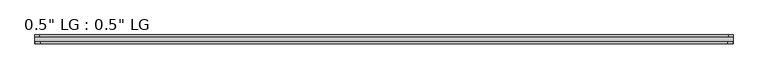
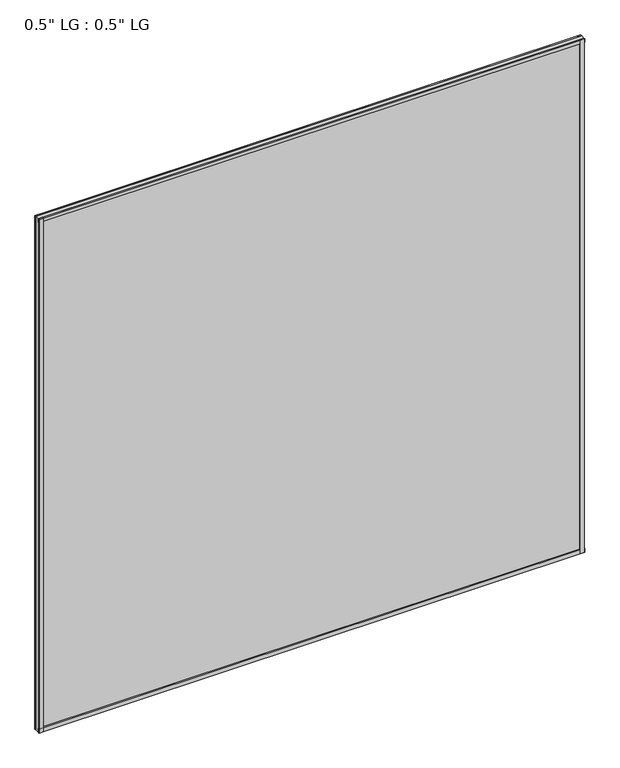
"""IFC4 building model written with IfcOpenShell, lengths in millimetres: plate geometry."""

from ifc_helpers import new_model, si_unit, frame, origin, origin_with_axes, place, context, project, spatial, polyline, outline, extrude, source, transform, mapped, element, save


def plate_191dd91b(model_context):
    return source(origin(), model_context, "Body", "SweptSolid", [
        extrude(outline(polyline([(901.7, 33.6248375), (890.2474034, 33.6248375), (890.2474034, 38.2984375), (901.7, 38.2984375), (901.7, 33.6248375)])), origin_with_axes(), (0.0, 0.0, 1.0), 1793.875),
        extrude(outline(polyline([(887.4806761, 20.0104375), (900.8843966, 20.0104375), (900.8843966, 15.8194375), (887.4806761, 15.8194375), (887.4806761, 20.0104375)])), origin_with_axes(), (0.0, 0.0, 1.0), 1793.875),
        extrude(outline(polyline([(-890.1821913, 38.2984375), (-890.1821913, 33.6248375), (-901.7, 33.6248375), (-901.7, 38.2984375), (-890.1821913, 38.2984375)])), origin_with_axes(), (0.0, 0.0, 1.0), 1793.875),
        extrude(outline(polyline([(-887.4909512, 20.0104375), (-887.4909512, 15.8194375), (-900.8843966, 15.8194375), (-900.8843966, 20.0104375), (-887.4909512, 20.0104375)])), origin_with_axes(), (0.0, 0.0, 1.0), 1793.875),
        extrude(outline(polyline([(901.7, 38.2984375), (901.7, 33.6248375), (-901.7, 33.6248375), (-901.7, 38.2984375), (901.7, 38.2984375)])), origin_with_axes(), (0.0, 0.0, 1.0), 11.444324),
        extrude(outline(polyline([(901.7, 20.0104375), (901.7, 15.8194375), (-901.7, 15.8194375), (-901.7, 20.0104375), (901.7, 20.0104375)])), origin_with_axes(), (0.0, 0.0, 1.0), 14.1703966),
        extrude(outline(polyline([(901.7, 38.2984375), (901.7, 33.6248375), (-901.7, 33.6248375), (-901.7, 38.2984375), (901.7, 38.2984375)])), frame((0.0, 0.0, 1782.2098974), z_axis=(0.0, 0.0, 1.0), x_axis=(1.0, 0.0, 0.0)), (0.0, 0.0, 1.0), 11.6651026),
        extrude(outline(polyline([(901.7, 20.0104375), (901.7, 15.8194375), (-901.7, 15.8194375), (-901.7, 20.0104375), (901.7, 20.0104375)])), frame((0.0, 0.0, 1782.2098974), z_axis=(0.0, 0.0, 1.0), x_axis=(1.0, 0.0, 0.0)), (0.0, 0.0, 1.0), 11.6651026),
        extrude(outline(polyline([(901.7, 33.6248375), (901.7, 20.0104375), (-901.7, 20.0104375), (-901.7, 33.6248375), (901.7, 33.6248375)])), origin_with_axes(), (0.0, 0.0, 1.0), 1793.875),
    ])


if __name__ == "__main__":
    model = new_model("IFC4")
    model_context = context("Model", 3, world=origin())
    ifc_project = project(units=[si_unit("LENGTHUNIT", "METRE", prefix="MILLI")], contexts=[model_context])
    site = spatial("IfcSite", under=ifc_project)
    building = spatial("IfcBuilding", under=site)
    placement = place(None, origin())
    plate_shape = plate_191dd91b(model_context)
    element("IfcPlate", 1, ObjectType="0.5\" LG : 0.5\" LG", at=placement, inside=building, context=model_context, shape_type="MappedRepresentation", body=[
        mapped(plate_shape, transform((0.0, 0.0, 0.0), x_axis=(1.0, 0.0, 0.0), y_axis=(0.0, 1.0, 0.0), z_axis=(0.0, 0.0, 1.0))),
    ])
    save(model, "model.ifc")
